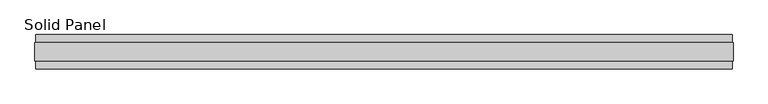
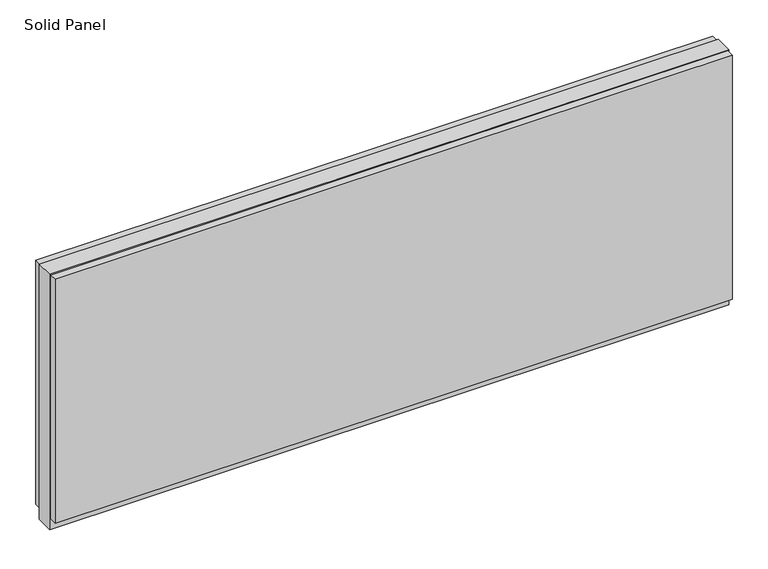
"""IFC4 building model written with IfcOpenShell, lengths in millimetres: plate geometry, Solid Panel."""

from ifc_helpers import new_model, si_unit, frame, origin, origin_with_axes, place, context, project, spatial, polyline, outline, extrude, source, transform, mapped, element, save


def solid_panel_68264bda(model_context):
    return source(origin(), model_context, "Body", "SweptSolid", [
        extrude(outline(polyline([(987.6028012, -48.4531867), (-987.6028012, -48.4531867), (-987.6028012, -25.9961), (987.6028012, -25.9961), (987.6028012, -48.4531867)])), frame((0.0, 0.0, 32.004), z_axis=(0.0, 0.0, 1.0), x_axis=(1.0, 0.0, 0.0)), (0.0, 0.0, 1.0), 752.3861),
        extrude(outline(polyline([(987.6028012, 25.9977), (-987.6028012, 25.9977), (-987.6028012, 48.4547867), (987.6028012, 48.4547867), (987.6028012, 25.9977)])), frame((0.0, 0.0, 32.004), z_axis=(0.0, 0.0, 1.0), x_axis=(1.0, 0.0, 0.0)), (0.0, 0.0, 1.0), 752.3861),
        extrude(outline(polyline([(990.6000012, -25.9961), (-990.6000012, -25.9961), (-990.6000012, 25.9977), (990.6000012, 25.9977), (990.6000012, -25.9961)])), origin_with_axes(), (0.0, 0.0, 1.0), 787.4),
    ])


if __name__ == "__main__":
    model = new_model("IFC4")
    model_context = context("Model", 3, world=origin())
    ifc_project = project(units=[si_unit("LENGTHUNIT", "METRE", prefix="MILLI")], contexts=[model_context])
    site = spatial("IfcSite", under=ifc_project)
    building = spatial("IfcBuilding", under=site)
    placement = place(None, origin())
    solid_panel_shape = solid_panel_68264bda(model_context)
    element("IfcPlate", 1, ObjectType="Solid Panel", at=placement, inside=building, context=model_context, shape_type="MappedRepresentation", body=[
        mapped(solid_panel_shape, transform((0.0, 0.0, 0.0), x_axis=(1.0, 0.0, 0.0), y_axis=(0.0, 1.0, 0.0), z_axis=(0.0, 0.0, 1.0))),
    ])
    save(model, "model.ifc")
